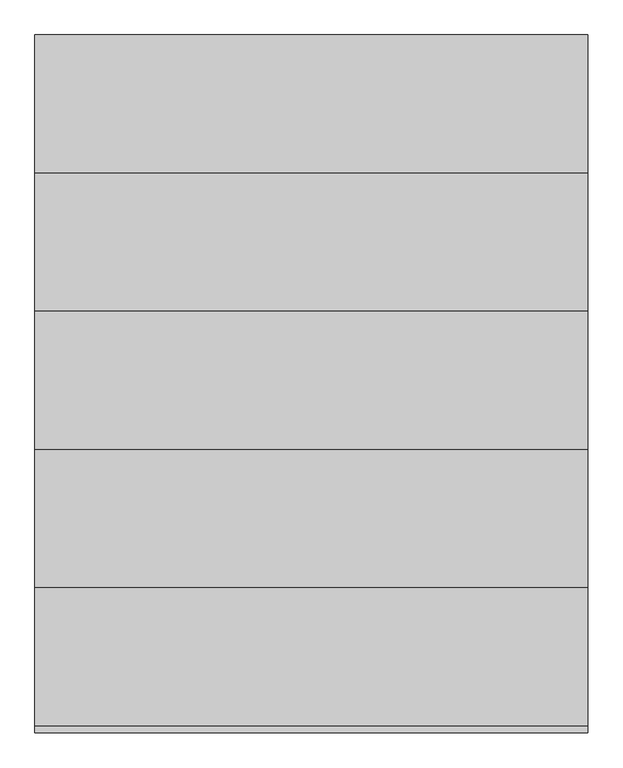
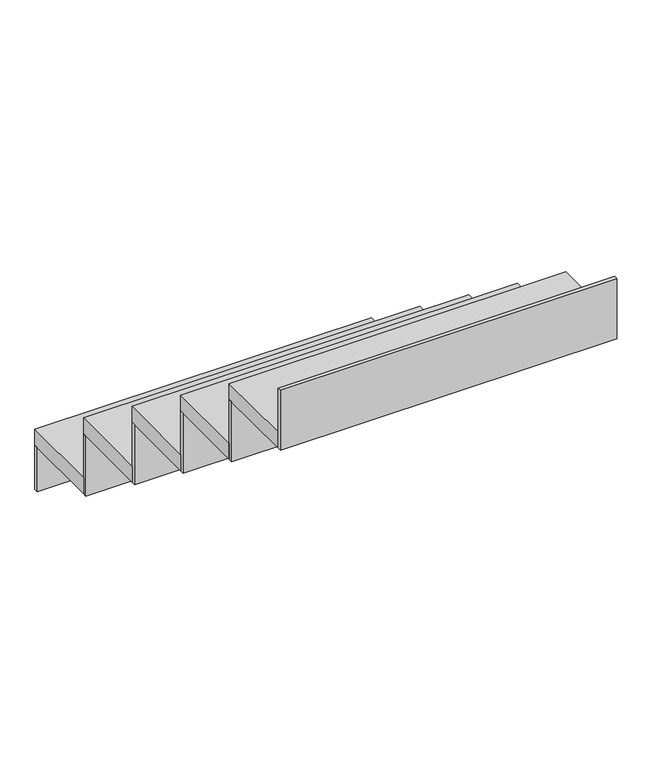
"""IFC4 building model written with IfcOpenShell, lengths in millimetres: stair flight geometry."""

from ifc_helpers import new_model, si_unit, frame, origin, origin_with_axes, place, context, project, spatial, polyline, outline, extrude, source, transform, mapped, element, save


def stair_flight_360e345e(model_context):
    return source(origin(), model_context, "Body", "SweptSolid", [
        extrude(outline(polyline([(-6398.3264597, 1830.4977365), (-6398.3264597, 1842.9977365), (-5398.3264597, 1842.9977365), (-5398.3264597, 1830.4977365), (-6398.3264597, 1830.4977365)])), origin_with_axes(), (0.0, 0.0, 1.0), 137.5),
        extrude(outline(polyline([(-5398.3264597, 1592.9977365), (-6398.3264597, 1592.9977365), (-6398.3264597, 1842.9977365), (-5398.3264597, 1842.9977365), (-5398.3264597, 1592.9977365)])), frame((0.0, 0.0, 137.5), z_axis=(0.0, 0.0, 1.0), x_axis=(1.0, 0.0, 0.0)), (0.0, 0.0, 1.0), 50.0),
        extrude(outline(polyline([(-6398.3264597, 1580.4977365), (-6398.3264597, 1592.9977365), (-5398.3264597, 1592.9977365), (-5398.3264597, 1580.4977365), (-6398.3264597, 1580.4977365)])), frame((0.0, 0.0, 137.5), z_axis=(0.0, 0.0, 1.0), x_axis=(1.0, 0.0, 0.0)), (0.0, 0.0, 1.0), 187.5),
        extrude(outline(polyline([(-5398.3264597, 1342.9977365), (-6398.3264597, 1342.9977365), (-6398.3264597, 1592.9977365), (-5398.3264597, 1592.9977365), (-5398.3264597, 1342.9977365)])), frame((0.0, 0.0, 325.0), z_axis=(0.0, 0.0, 1.0), x_axis=(1.0, 0.0, 0.0)), (0.0, 0.0, 1.0), 50.0),
        extrude(outline(polyline([(-6398.3264597, 1330.4977365), (-6398.3264597, 1342.9977365), (-5398.3264597, 1342.9977365), (-5398.3264597, 1330.4977365), (-6398.3264597, 1330.4977365)])), frame((0.0, 0.0, 325.0), z_axis=(0.0, 0.0, 1.0), x_axis=(1.0, 0.0, 0.0)), (0.0, 0.0, 1.0), 187.5),
        extrude(outline(polyline([(-5398.3264597, 1092.9977365), (-6398.3264597, 1092.9977365), (-6398.3264597, 1342.9977365), (-5398.3264597, 1342.9977365), (-5398.3264597, 1092.9977365)])), frame((0.0, 0.0, 512.5), z_axis=(0.0, 0.0, 1.0), x_axis=(1.0, 0.0, 0.0)), (0.0, 0.0, 1.0), 50.0),
        extrude(outline(polyline([(-6398.3264597, 1080.4977365), (-6398.3264597, 1092.9977365), (-5398.3264597, 1092.9977365), (-5398.3264597, 1080.4977365), (-6398.3264597, 1080.4977365)])), frame((0.0, 0.0, 512.5), z_axis=(0.0, 0.0, 1.0), x_axis=(1.0, 0.0, 0.0)), (0.0, 0.0, 1.0), 187.5),
        extrude(outline(polyline([(-5398.3264597, 842.9977365), (-6398.3264597, 842.9977365), (-6398.3264597, 1092.9977365), (-5398.3264597, 1092.9977365), (-5398.3264597, 842.9977365)])), frame((0.0, 0.0, 700.0), z_axis=(0.0, 0.0, 1.0), x_axis=(1.0, 0.0, 0.0)), (0.0, 0.0, 1.0), 50.0),
        extrude(outline(polyline([(-6398.3264597, 830.4977365), (-6398.3264597, 842.9977365), (-5398.3264597, 842.9977365), (-5398.3264597, 830.4977365), (-6398.3264597, 830.4977365)])), frame((0.0, 0.0, 700.0), z_axis=(0.0, 0.0, 1.0), x_axis=(1.0, 0.0, 0.0)), (0.0, 0.0, 1.0), 187.5),
        extrude(outline(polyline([(-6398.3264597, 580.4977365), (-6398.3264597, 592.9977365), (-5398.3264597, 592.9977365), (-5398.3264597, 580.4977365), (-6398.3264597, 580.4977365)])), frame((0.0, 0.0, 887.5), z_axis=(0.0, 0.0, 1.0), x_axis=(1.0, 0.0, 0.0)), (0.0, 0.0, 1.0), 187.5),
        extrude(outline(polyline([(-5398.3264597, 592.9977365), (-6398.3264597, 592.9977365), (-6398.3264597, 842.9977365), (-5398.3264597, 842.9977365), (-5398.3264597, 592.9977365)])), frame((0.0, 0.0, 887.5), z_axis=(0.0, 0.0, 1.0), x_axis=(1.0, 0.0, 0.0)), (0.0, 0.0, 1.0), 50.0),
    ])


if __name__ == "__main__":
    model = new_model("IFC4")
    model_context = context("Model", 3, world=origin())
    ifc_project = project(units=[si_unit("LENGTHUNIT", "METRE", prefix="MILLI")], contexts=[model_context])
    site = spatial("IfcSite", under=ifc_project)
    building = spatial("IfcBuilding", under=site)
    placement = place(None, origin())
    stair_flight_shape = stair_flight_360e345e(model_context)
    element("IfcStairFlight", 1, at=placement, inside=building, context=model_context, shape_type="MappedRepresentation", body=[
        mapped(stair_flight_shape, transform((0.0, 0.0, 0.0), x_axis=(1.0, 0.0, 0.0), y_axis=(0.0, 1.0, 0.0), z_axis=(0.0, 0.0, 1.0))),
    ])
    save(model, "model.ifc")
